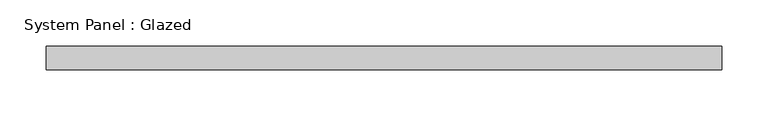
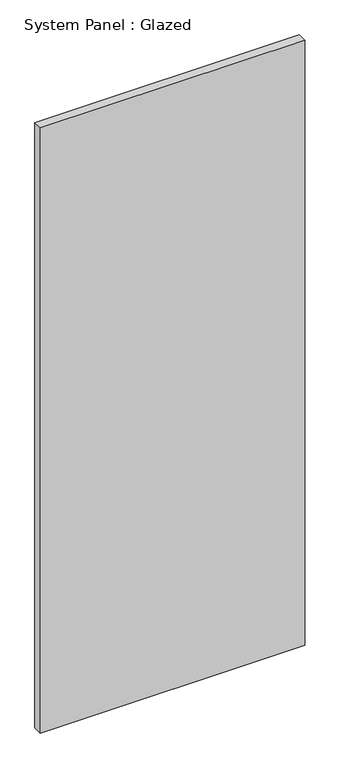
"""IFC4 building model written with IfcOpenShell, lengths in millimetres: plate geometry, System Panel : Glazed."""

from ifc_helpers import new_model, si_unit, origin, origin_with_axes, place, context, project, spatial, polyline, outline, extrude, source, transform, mapped, element, save


def system_panel_glazed_850baae6(model_context):
    return source(origin(), model_context, "Body", "SweptSolid", [
        extrude(outline(polyline([(366.1833333, 19.05), (-366.1833333, 19.05), (-366.1833333, 44.45), (366.1833333, 44.45), (366.1833333, 19.05)])), origin_with_axes(), (0.0, 0.0, 1.0), 1771.65),
    ])


if __name__ == "__main__":
    model = new_model("IFC4")
    model_context = context("Model", 3, world=origin())
    ifc_project = project(units=[si_unit("LENGTHUNIT", "METRE", prefix="MILLI")], contexts=[model_context])
    site = spatial("IfcSite", under=ifc_project)
    building = spatial("IfcBuilding", under=site)
    placement = place(None, origin())
    system_panel_glazed_shape = system_panel_glazed_850baae6(model_context)
    element("IfcPlate", 1, ObjectType="System Panel : Glazed", at=placement, inside=building, context=model_context, shape_type="MappedRepresentation", body=[
        mapped(system_panel_glazed_shape, transform((0.0, 0.0, 0.0), x_axis=(1.0, 0.0, 0.0), y_axis=(0.0, 1.0, 0.0), z_axis=(0.0, 0.0, 1.0))),
    ])
    save(model, "model.ifc")
